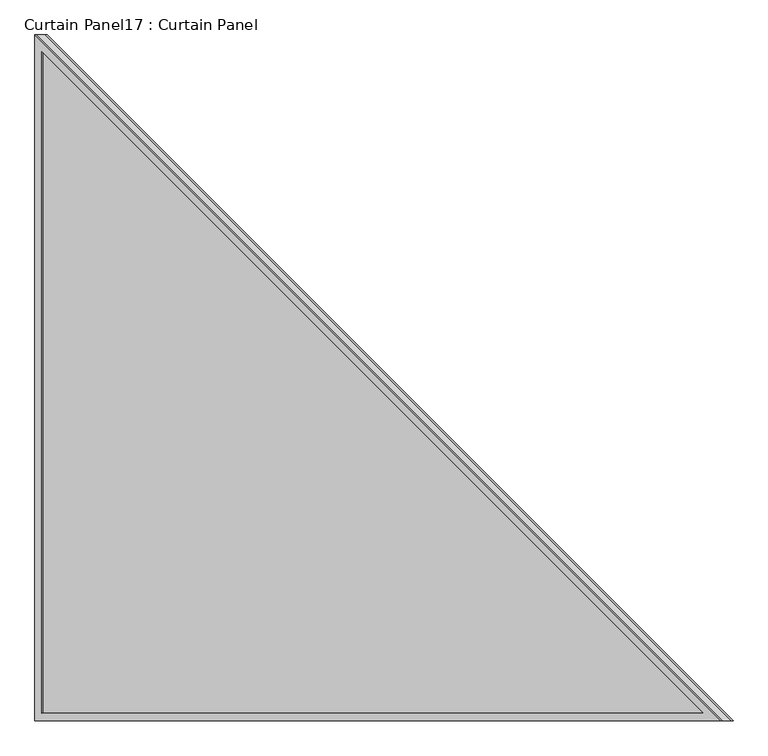
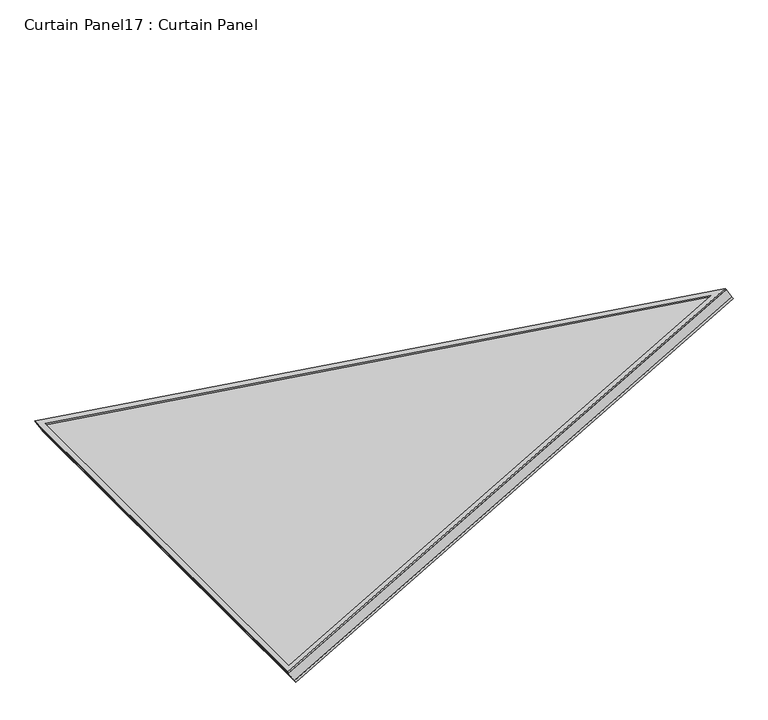
"""IFC4 building model written with IfcOpenShell, lengths in millimetres: plate geometry, Curtain Panel17 : Curtain Panel."""

from ifc_helpers import new_model, si_unit, frame, origin, place, context, project, spatial, polyline, outline, extrude, source, transform, mapped, element, save


def curtain_panel17_curtain_panel_8cfb3c2a(model_context):
    return source(origin(), model_context, "Body", "SweptSolid", [
        extrude(outline(polyline([(1305.9200807, -12.7), (-12.7000001, -12.7), (-12.7000001, 1129.2584878), (1305.9200807, -12.7)]), holes=[polyline([(1271.8558134, 0.0), (0.0, 1101.4594444), (0.0, 0.0), (1271.8558134, 0.0)])]), frame((-11954.4498454, 10977.4537369, 1.664153), z_axis=(-0.5000000000000001, 0.0, 0.8660254037844387), x_axis=(0.8660254037844387, 0.0, 0.5000000000000001)), (0.0, 0.0, 1.0), 4.8010463),
        extrude(outline(polyline([(1305.9200807, -12.7), (-12.7, -12.7), (-12.7, 1129.2584878), (1305.9200807, -12.7)]), holes=[polyline([(1271.8558134, 0.0), (0.0, 1101.4594444), (0.0, 0.0), (1271.8558134, 0.0)])]), frame((-11936.0223686, 10977.4537369, -30.2531731), z_axis=(-0.5000000000000001, 0.0, 0.8660254037844387), x_axis=(0.8660254037844387, 0.0, 0.5000000000000001)), (0.0, 0.0, 1.0), 6.6924537),
        extrude(outline(polyline([(12.7, 0.0), (1154.6584878, 0.0), (12.7, -1318.6200807), (12.7, 0.0)])), frame((-11950.3671181, 10952.0537369, -30.8073382), z_axis=(-0.49999999999999867, 0.0, 0.8660254037844395), x_axis=(0.0, 1.0, 0.0)), (0.0, 0.0, 1.0), 30.1625),
    ])


if __name__ == "__main__":
    model = new_model("IFC4")
    model_context = context("Model", 3, world=origin())
    ifc_project = project(units=[si_unit("LENGTHUNIT", "METRE", prefix="MILLI")], contexts=[model_context])
    site = spatial("IfcSite", under=ifc_project)
    building = spatial("IfcBuilding", under=site)
    placement = place(None, origin())
    curtain_panel17_curtain_panel_shape = curtain_panel17_curtain_panel_8cfb3c2a(model_context)
    element("IfcPlate", 1, ObjectType="Curtain Panel17 : Curtain Panel", at=placement, inside=building, context=model_context, shape_type="MappedRepresentation", body=[
        mapped(curtain_panel17_curtain_panel_shape, transform((0.0, 0.0, 0.0), x_axis=(1.0, 0.0, 0.0), y_axis=(0.0, 1.0, 0.0), z_axis=(0.0, 0.0, 1.0))),
    ])
    save(model, "model.ifc")
